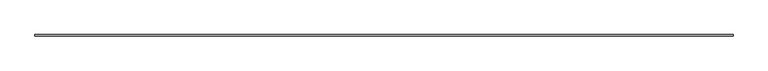
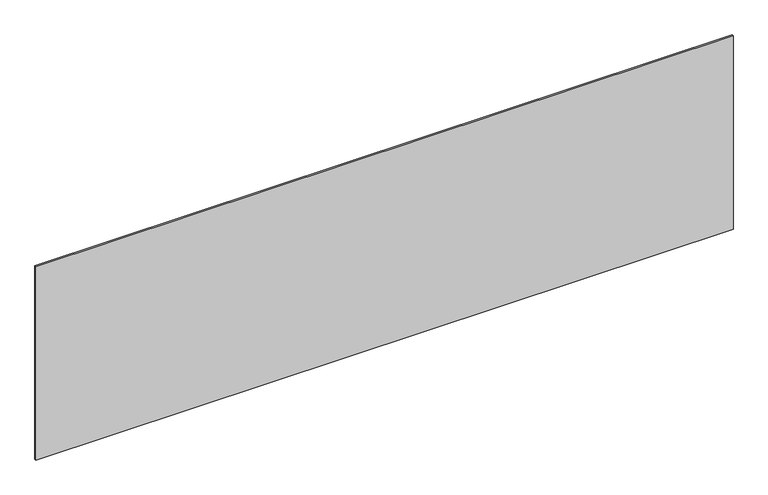
"""IFC4 building model written with IfcOpenShell, lengths in millimetres: plate geometry."""

from ifc_helpers import new_model, si_unit, origin, origin_with_axes, place, context, project, spatial, polyline, outline, extrude, source, transform, mapped, element, save


def plate_135fa1a3(model_context):
    return source(origin(), model_context, "Body", "SweptSolid", [
        extrude(outline(polyline([(2264.1666667, -5.0), (-2264.1666667, -5.0), (-2264.1666667, 5.0), (2264.1666667, 5.0), (2264.1666667, -5.0)])), origin_with_axes(), (0.0, 0.0, 1.0), 1327.5187473),
    ])


if __name__ == "__main__":
    model = new_model("IFC4")
    model_context = context("Model", 3, world=origin())
    ifc_project = project(units=[si_unit("LENGTHUNIT", "METRE", prefix="MILLI")], contexts=[model_context])
    site = spatial("IfcSite", under=ifc_project)
    building = spatial("IfcBuilding", under=site)
    placement = place(None, origin())
    plate_shape = plate_135fa1a3(model_context)
    element("IfcPlate", 1, at=placement, inside=building, context=model_context, shape_type="MappedRepresentation", body=[
        mapped(plate_shape, transform((0.0, 0.0, 0.0), x_axis=(1.0, 0.0, 0.0), y_axis=(0.0, 1.0, 0.0), z_axis=(0.0, 0.0, 1.0))),
    ])
    save(model, "model.ifc")
